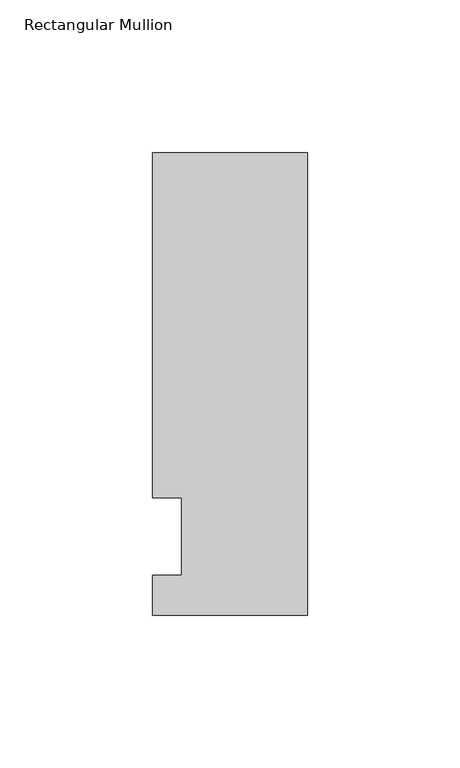
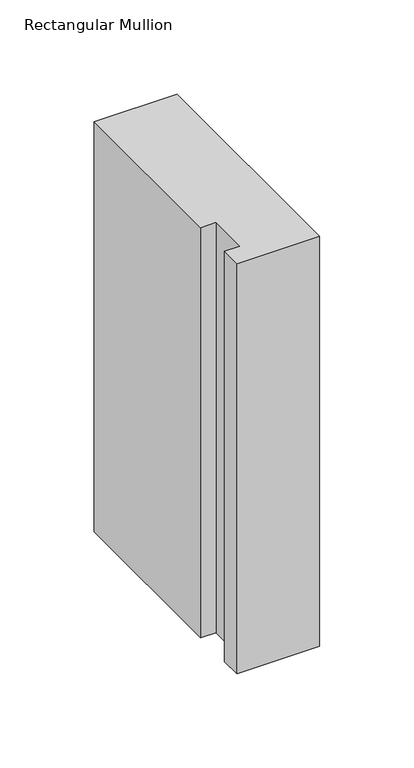
"""IFC4 building model written with IfcOpenShell, lengths in millimetres: member geometry, Rectangular Mullion."""

from ifc_helpers import new_model, si_unit, frame, origin, place, context, project, spatial, polyline, outline, extrude, source, transform, mapped, element, save


def rectangular_mullion_9737bba6(model_context):
    return source(origin(), model_context, "Body", "SweptSolid", [
        extrude(outline(polyline([(-50.8, -25.7961253), (-50.8, -12.7), (-41.275, -12.7), (-41.275, 12.7), (-50.8, 12.7), (-50.8, 125.8036906), (0.0, 125.8036906), (0.0, -25.7961253), (-50.8, -25.7961253)])), frame((0.0, 0.0, -265.75385), z_axis=(0.0, 0.0, 1.0), x_axis=(1.0, 0.0, 0.0)), (0.0, 0.0, 1.0), 265.75385),
    ])


if __name__ == "__main__":
    model = new_model("IFC4")
    model_context = context("Model", 3, world=origin())
    ifc_project = project(units=[si_unit("LENGTHUNIT", "METRE", prefix="MILLI")], contexts=[model_context])
    site = spatial("IfcSite", under=ifc_project)
    building = spatial("IfcBuilding", under=site)
    placement = place(None, origin())
    rectangular_mullion_shape = rectangular_mullion_9737bba6(model_context)
    element("IfcMember", 1, ObjectType="Rectangular Mullion", at=placement, inside=building, context=model_context, shape_type="MappedRepresentation", body=[
        mapped(rectangular_mullion_shape, transform((0.0, 0.0, 0.0), x_axis=(1.0, 0.0, 0.0), y_axis=(0.0, 1.0, 0.0), z_axis=(0.0, 0.0, 1.0))),
    ])
    save(model, "model.ifc")
